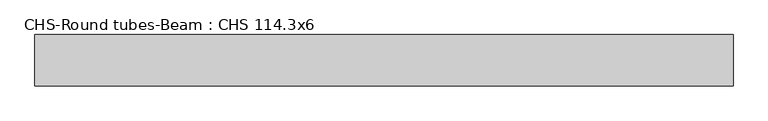
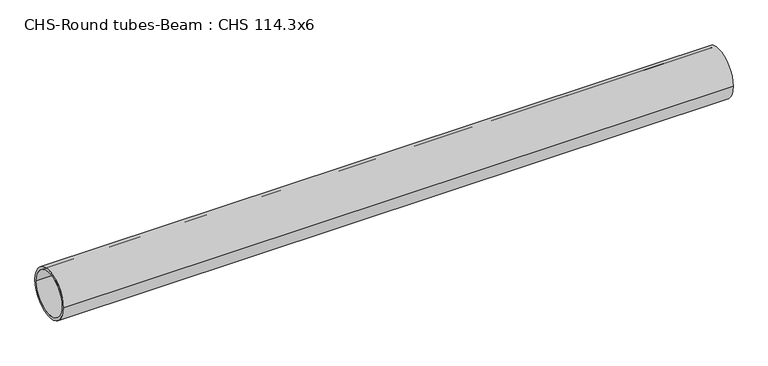
"""IFC4 building model written with IfcOpenShell, lengths in millimetres: beam geometry, CHS-Round tubes-Beam : CHS 114.3x6."""

from ifc_helpers import new_model, si_unit, point, frame, origin, origin_2d, place, context, project, spatial, circle_curve, trimmed, segment, composite_curve, outline, extrude, source, transform, mapped, element, save


def chs_round_tubes_beam_chs_114_3x6_03f3890f(model_context):
    return source(origin(), model_context, "Body", "SweptSolid", [
        extrude(outline(composite_curve([segment(trimmed(circle_curve(origin_2d(), 57.15), [point((57.15, 0.0))], [point((-57.15, 0.0))], False, "CARTESIAN"), True, "CONTINUOUS"), segment(trimmed(circle_curve(origin_2d(), 57.15), [point((-57.15, 0.0))], [point((57.15, 0.0))], False, "CARTESIAN"), True, "CONTINUOUS")], self_intersect=False), holes=[composite_curve([segment(trimmed(circle_curve(origin_2d(), 51.15), [point((51.15, 0.0))], [point((-51.15, 0.0))], True, "CARTESIAN"), True, "CONTINUOUS"), segment(trimmed(circle_curve(origin_2d(), 51.15), [point((-51.15, 0.0))], [point((51.15, 0.0))], True, "CARTESIAN"), True, "CONTINUOUS")], self_intersect=False)]), frame((-752.0499053, 0.0, 0.0), z_axis=(1.0, 0.0, 0.0), x_axis=(0.0, 1.0, 0.0)), (0.0, 0.0, 1.0), 1556.4481026),
    ])


if __name__ == "__main__":
    model = new_model("IFC4")
    model_context = context("Model", 3, world=origin())
    ifc_project = project(units=[si_unit("LENGTHUNIT", "METRE", prefix="MILLI")], contexts=[model_context])
    site = spatial("IfcSite", under=ifc_project)
    building = spatial("IfcBuilding", under=site)
    placement = place(None, origin())
    chs_round_tubes_beam_chs_114_3x6_shape = chs_round_tubes_beam_chs_114_3x6_03f3890f(model_context)
    element("IfcBeam", 1, ObjectType="CHS-Round tubes-Beam : CHS 114.3x6", at=placement, inside=building, context=model_context, shape_type="MappedRepresentation", body=[
        mapped(chs_round_tubes_beam_chs_114_3x6_shape, transform((0.0, 0.0, 0.0), x_axis=(1.0, 0.0, 0.0), y_axis=(0.0, 1.0, 0.0), z_axis=(0.0, 0.0, 1.0))),
    ])
    save(model, "model.ifc")
